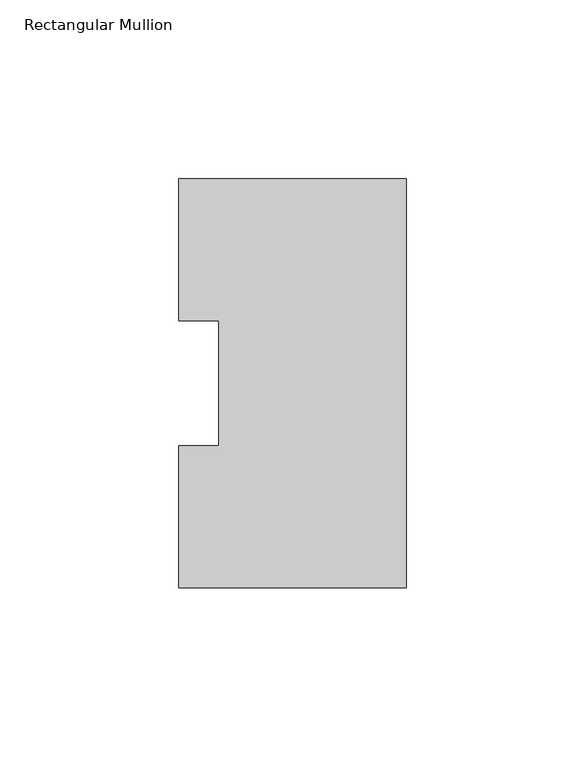
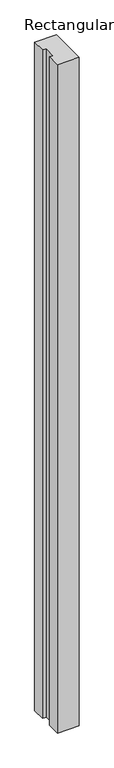
"""IFC4 building model written with IfcOpenShell, lengths in millimetres: member geometry, Rectangular Mullion."""

from ifc_helpers import new_model, si_unit, frame, origin, place, context, project, spatial, polyline, outline, extrude, source, transform, mapped, element, save


def rectangular_mullion_ff25fa81(model_context):
    return source(origin(), model_context, "Body", "SweptSolid", [
        extrude(outline(polyline([(0.0, 114.271425), (0.0, -0.028575), (-63.5, -0.028575), (-63.5, 39.646225), (-52.3875, 39.646225), (-52.3875, 74.596625), (-63.5, 74.596625), (-63.5, 114.271425), (0.0, 114.271425)])), frame((0.0, 0.0, -2060.575), z_axis=(0.0, 0.0, 1.0), x_axis=(1.0, 0.0, 0.0)), (0.0, 0.0, 1.0), 2060.575),
    ])


if __name__ == "__main__":
    model = new_model("IFC4")
    model_context = context("Model", 3, world=origin())
    ifc_project = project(units=[si_unit("LENGTHUNIT", "METRE", prefix="MILLI")], contexts=[model_context])
    site = spatial("IfcSite", under=ifc_project)
    building = spatial("IfcBuilding", under=site)
    placement = place(None, origin())
    rectangular_mullion_shape = rectangular_mullion_ff25fa81(model_context)
    element("IfcMember", 1, ObjectType="Rectangular Mullion", at=placement, inside=building, context=model_context, shape_type="MappedRepresentation", body=[
        mapped(rectangular_mullion_shape, transform((0.0, 0.0, 0.0), x_axis=(1.0, 0.0, 0.0), y_axis=(0.0, 1.0, 0.0), z_axis=(0.0, 0.0, 1.0))),
    ])
    save(model, "model.ifc")
